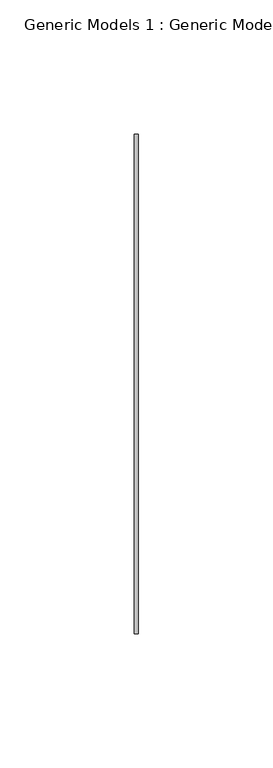
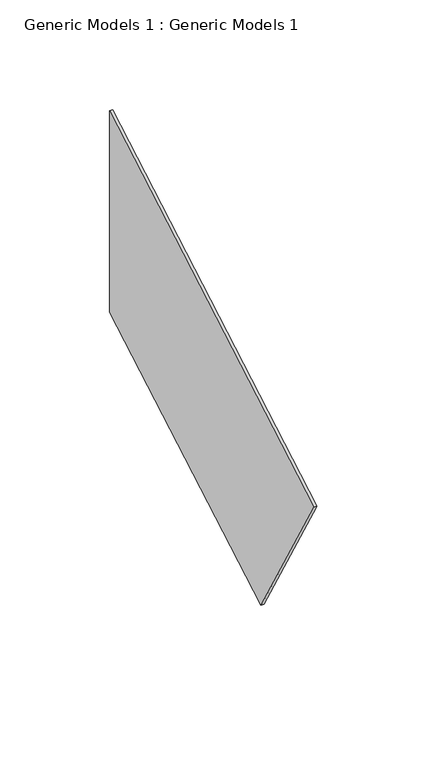
"""IFC4 building model written with IfcOpenShell, lengths in millimetres: proxy geometry, Generic Models 1 : Generic Models 1."""

from ifc_helpers import new_model, si_unit, frame, origin, place, context, project, spatial, polyline, outline, extrude, source, transform, mapped, element, save


def generic_models_1_generic_models_1_c9623e96(model_context):
    return source(origin(), model_context, "Body", "SweptSolid", [
        extrude(outline(polyline([(-12288.0755542, 1944.7343792), (-12336.4783353, 2028.5704554), (-12150.4249382, 2135.9884343), (-12150.4249382, 2024.2069993), (-12288.0755542, 1944.7343792)])), frame((8338.3020877, 0.0, 0.0), z_axis=(1.0, 0.0, 0.0), x_axis=(0.0, 1.0, 0.0)), (0.0, 0.0, 1.0), 1.5748),
    ])


if __name__ == "__main__":
    model = new_model("IFC4")
    model_context = context("Model", 3, world=origin())
    ifc_project = project(units=[si_unit("LENGTHUNIT", "METRE", prefix="MILLI")], contexts=[model_context])
    site = spatial("IfcSite", under=ifc_project)
    building = spatial("IfcBuilding", under=site)
    placement = place(None, origin())
    generic_models_1_generic_models_1_shape = generic_models_1_generic_models_1_c9623e96(model_context)
    element("IfcBuildingElementProxy", 1, Name="Generic Models 1 : Generic Models 1", ObjectType="Generic Models 1 : Generic Models 1", at=placement, inside=building, context=model_context, shape_type="MappedRepresentation", body=[
        mapped(generic_models_1_generic_models_1_shape, transform((0.0, 0.0, 0.0), x_axis=(1.0, 0.0, 0.0), y_axis=(0.0, 1.0, 0.0), z_axis=(0.0, 0.0, 1.0))),
    ])
    save(model, "model.ifc")
